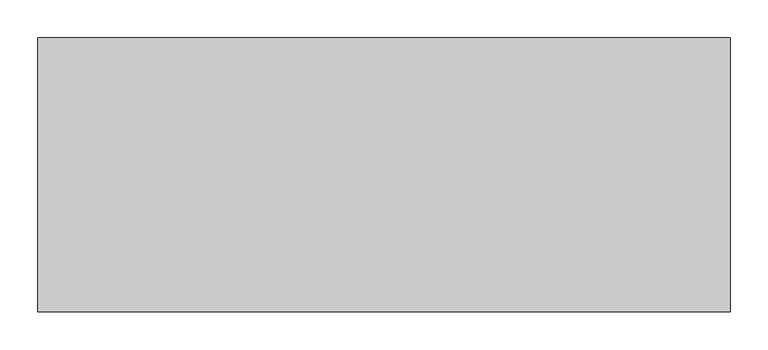
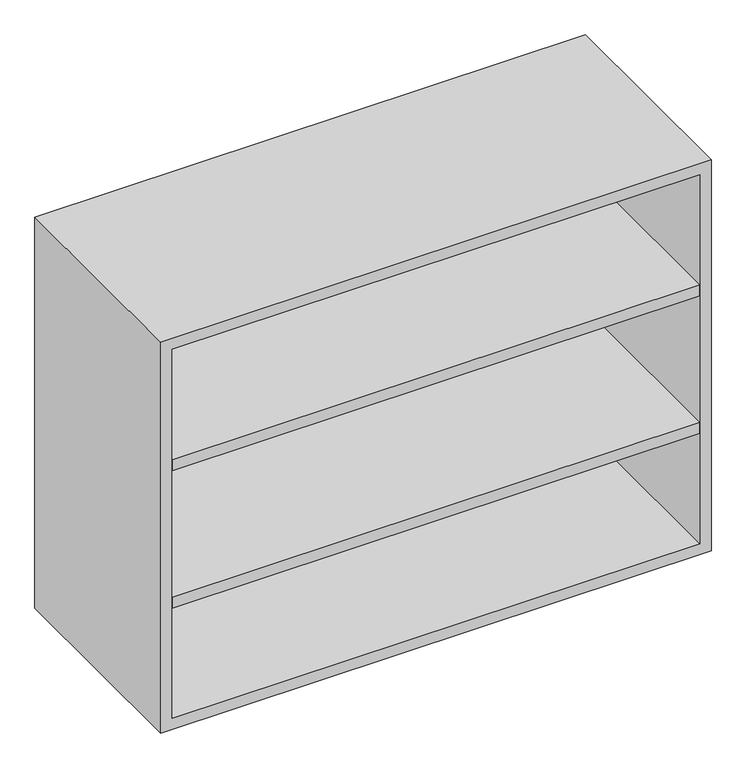
"""IFC4 building model written with IfcOpenShell, lengths in millimetres: furniture geometry."""

from ifc_helpers import new_model, si_unit, frame, origin, place, context, project, spatial, polyline, outline, extrude, source, transform, mapped, element, save


def furniture_502160a9(model_context):
    return source(origin(), model_context, "Body", "SweptSolid", [
        extrude(outline(polyline([(438.1569453, 161.925), (438.1569453, -180.975), (-438.1291641, -180.975), (-438.1291641, 161.925), (438.1569453, 161.925)])), frame((0.0, 0.0, 1190.625), z_axis=(0.0, 0.0, 1.0), x_axis=(1.0, 0.0, 0.0)), (0.0, 0.0, 1.0), 19.05),
        extrude(outline(polyline([(438.1569453, 161.925), (438.1569453, -180.975), (-438.1291641, -180.975), (-438.1291641, 161.925), (438.1569453, 161.925)])), frame((0.0, 0.0, 949.325), z_axis=(0.0, 0.0, 1.0), x_axis=(1.0, 0.0, 0.0)), (0.0, 0.0, 1.0), 19.05),
        extrude(outline(polyline([(736.6, -457.1861094), (736.6, 457.2138906), (1422.4, 457.2138906), (1422.4, -457.1861094), (736.6, -457.1861094)]), holes=[polyline([(755.65, -438.1361094), (1403.35, -438.1361094), (1403.35, 438.1569453), (755.65, 438.1569453), (755.65, -438.1361094)])]), frame((0.0, -180.975, 0.0), z_axis=(0.0, 1.0, 0.0), x_axis=(0.0, 0.0, 1.0)), (0.0, 0.0, 1.0), 361.95),
        extrude(outline(polyline([(-438.1291641, 161.925), (-438.1291641, 180.975), (438.1569453, 180.975), (438.1569453, 161.925), (-438.1291641, 161.925)])), frame((0.0, 0.0, 755.65), z_axis=(0.0, 0.0, 1.0), x_axis=(1.0, 0.0, 0.0)), (0.0, 0.0, 1.0), 647.7),
    ])


if __name__ == "__main__":
    model = new_model("IFC4")
    model_context = context("Model", 3, world=origin())
    ifc_project = project(units=[si_unit("LENGTHUNIT", "METRE", prefix="MILLI")], contexts=[model_context])
    site = spatial("IfcSite", under=ifc_project)
    building = spatial("IfcBuilding", under=site)
    placement = place(None, origin())
    furniture_shape = furniture_502160a9(model_context)
    element("IfcFurniture", 1, at=placement, inside=building, context=model_context, shape_type="MappedRepresentation", body=[
        mapped(furniture_shape, transform((0.0, 0.0, 0.0), x_axis=(1.0, 0.0, 0.0), y_axis=(0.0, 1.0, 0.0), z_axis=(0.0, 0.0, 1.0))),
    ])
    save(model, "model.ifc")
